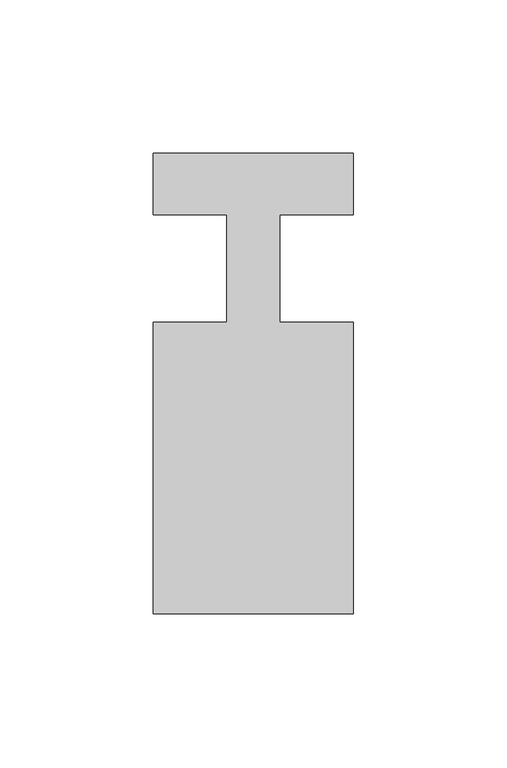
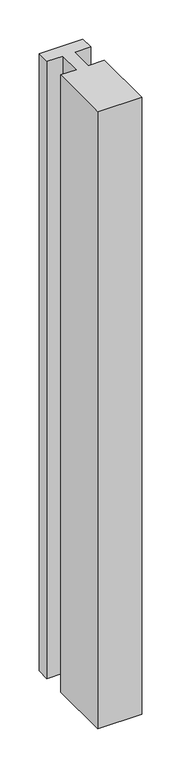
"""IFC4 building model written with IfcOpenShell, lengths in millimetres: member geometry."""

from ifc_helpers import new_model, si_unit, frame, origin, place, context, project, spatial, polyline, outline, extrude, source, transform, mapped, element, save


def member_78f55e24(model_context):
    return source(origin(), model_context, "Body", "SweptSolid", [
        extrude(outline(polyline([(0.0, 37.0), (0.0, 17.0), (-23.8125, 17.0), (-23.8125, -18.0), (0.0, -18.0), (0.0, -113.0), (-65.0, -113.0), (-65.0, -18.0), (-41.1875, -18.0), (-41.1875, 17.0), (-65.0, 17.0), (-65.0, 37.0), (0.0, 37.0)])), frame((0.0, 0.0, -965.0), z_axis=(0.0, 0.0, 1.0), x_axis=(1.0, 0.0, 0.0)), (0.0, 0.0, 1.0), 965.0),
    ])


if __name__ == "__main__":
    model = new_model("IFC4")
    model_context = context("Model", 3, world=origin())
    ifc_project = project(units=[si_unit("LENGTHUNIT", "METRE", prefix="MILLI")], contexts=[model_context])
    site = spatial("IfcSite", under=ifc_project)
    building = spatial("IfcBuilding", under=site)
    placement = place(None, origin())
    member_shape = member_78f55e24(model_context)
    element("IfcMember", 1, at=placement, inside=building, context=model_context, shape_type="MappedRepresentation", body=[
        mapped(member_shape, transform((0.0, 0.0, 0.0), x_axis=(1.0, 0.0, 0.0), y_axis=(0.0, 1.0, 0.0), z_axis=(0.0, 0.0, 1.0))),
    ])
    save(model, "model.ifc")
